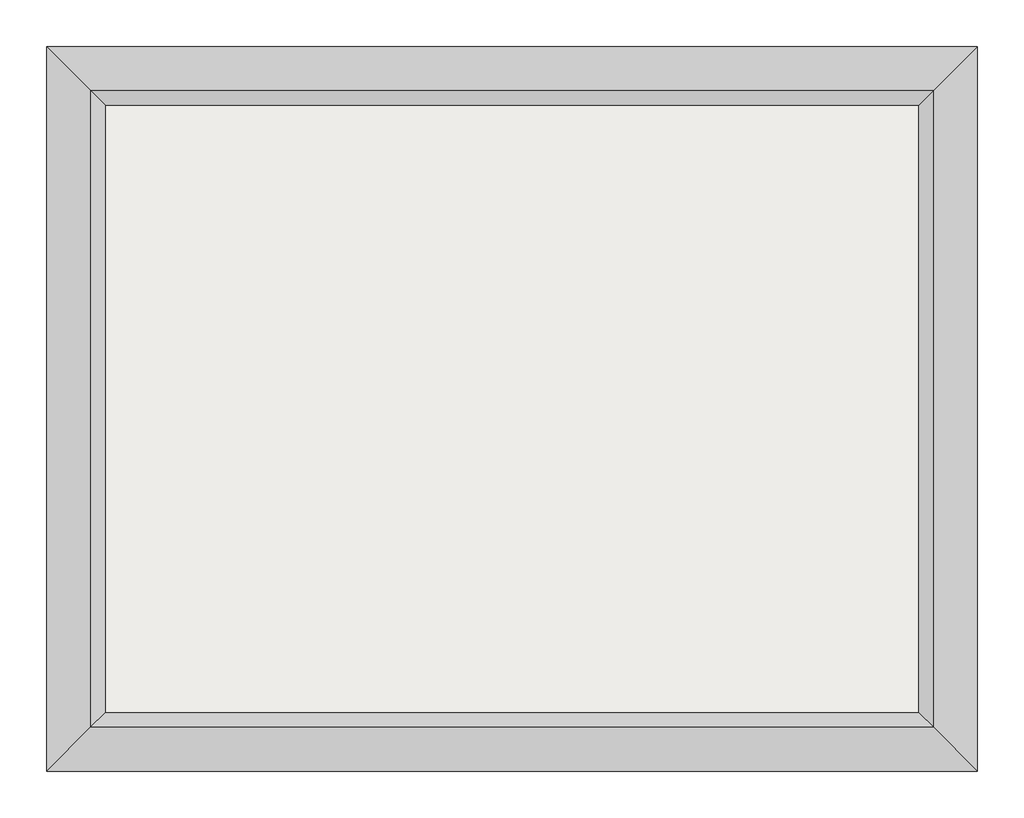
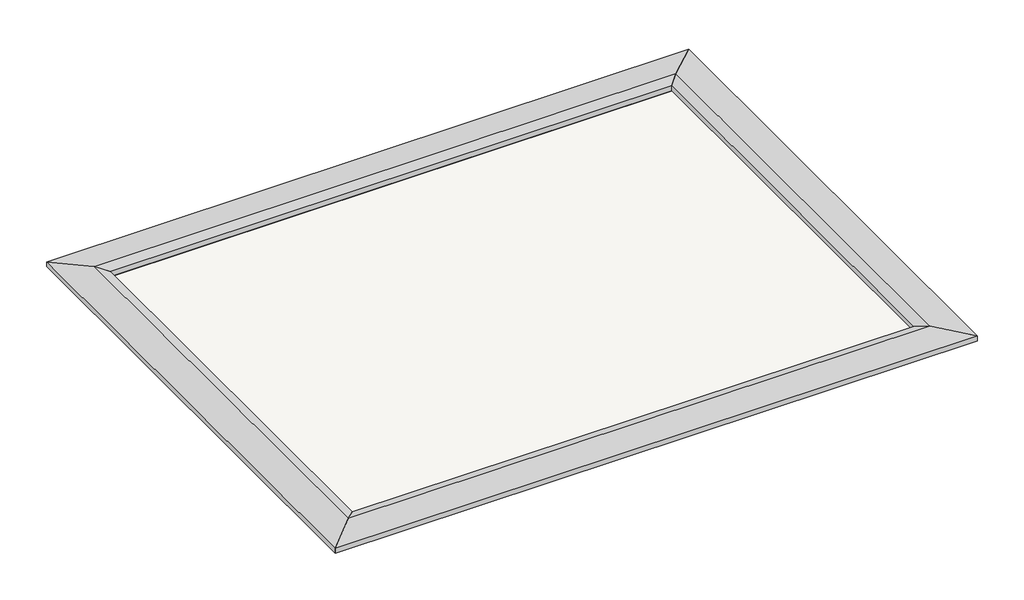
# One storey: 4 proxies, 1 roof.
"""IFC4 building model written with IfcOpenShell, lengths in millimetres."""

from ifc_helpers import new_model, si_unit, frame, origin, place, context, project, spatial, polyline, outline, extrude, faceted_brep, element, save

model = new_model("IFC4")

# Units and contexts
model_context = context("Model", 3, world=origin())
ifc_project = project(units=[si_unit("LENGTHUNIT", "METRE", prefix="MILLI")], contexts=[model_context])

# Site, building, storey
site = spatial("IfcSite", under=ifc_project)
building = spatial("IfcBuilding", under=site)
storey = spatial("IfcBuildingStorey", under=building, Elevation=5600.0)

# Proxies
placement = place(None, origin())
element("IfcBuildingElementProxy", 1, Name="Wall Sweeps", at=placement, inside=storey, context=model_context, shape_type="Brep", body=[
    faceted_brep([(-12231.2558601, 4010.3253756, 5661.9), (-11857.8558601, 3636.9253756, 5700.0), (-11731.2558601, 3510.3253756, 5661.9), (-11731.2558601, 3510.3253756, 5600.0), (-12231.2558601, 4010.3253756, 5600.0), (-12231.2558601, -2181.6746244, 5661.9), (-12231.2558601, -2181.6746244, 5600.0), (-11731.2558601, -1681.6746244, 5600.0), (-11731.2558601, -1681.6746244, 5661.9), (-11857.8558601, -1808.2746244, 5700.0)], [[[0, 1, 2, 3, 4]], [[5, 6, 7, 8, 9]], [[1, 0, 5, 9]], [[2, 1, 9, 8]], [[3, 2, 8, 7]], [[4, 3, 7, 6]], [[0, 4, 6, 5]]]),
])
element("IfcBuildingElementProxy", 2, Name="Wall Sweeps", at=placement, inside=storey, context=model_context, shape_type="Brep", body=[
    faceted_brep([(-12231.2558601, -2181.6746244, 5661.9), (-11857.8558601, -1808.2746244, 5700.0), (-11731.2558601, -1681.6746244, 5661.9), (-11731.2558601, -1681.6746244, 5600.0), (-12231.2558601, -2181.6746244, 5600.0), (-4281.2558601, -2181.6746244, 5661.9), (-4281.2558601, -2181.6746244, 5600.0), (-4781.2558601, -1681.6746244, 5600.0), (-4781.2558601, -1681.6746244, 5661.9), (-4654.6558601, -1808.2746244, 5700.0)], [[[0, 1, 2, 3, 4]], [[5, 6, 7, 8, 9]], [[1, 0, 5, 9]], [[2, 1, 9, 8]], [[3, 2, 8, 7]], [[4, 3, 7, 6]], [[0, 4, 6, 5]]]),
])
element("IfcBuildingElementProxy", 3, Name="Wall Sweeps", at=placement, inside=storey, context=model_context, shape_type="Brep", body=[
    faceted_brep([(-4281.2558601, -2181.6746244, 5661.9), (-4654.6558601, -1808.2746244, 5700.0), (-4781.2558601, -1681.6746244, 5661.9), (-4781.2558601, -1681.6746244, 5600.0), (-4281.2558601, -2181.6746244, 5600.0), (-4281.2558601, 4010.3253756, 5661.9), (-4281.2558601, 4010.3253756, 5600.0), (-4781.2558601, 3510.3253756, 5600.0), (-4781.2558601, 3510.3253756, 5661.9), (-4654.6558601, 3636.9253756, 5700.0)], [[[0, 1, 2, 3, 4]], [[5, 6, 7, 8, 9]], [[1, 0, 5, 9]], [[2, 1, 9, 8]], [[3, 2, 8, 7]], [[4, 3, 7, 6]], [[0, 4, 6, 5]]]),
])
element("IfcBuildingElementProxy", 4, Name="Wall Sweeps", at=placement, inside=storey, context=model_context, shape_type="Brep", body=[
    faceted_brep([(-4281.2558601, 4010.3253756, 5661.9), (-4654.6558601, 3636.9253756, 5700.0), (-4781.2558601, 3510.3253756, 5661.9), (-4781.2558601, 3510.3253756, 5600.0), (-4281.2558601, 4010.3253756, 5600.0), (-12231.2558601, 4010.3253756, 5661.9), (-12231.2558601, 4010.3253756, 5600.0), (-11731.2558601, 3510.3253756, 5600.0), (-11731.2558601, 3510.3253756, 5661.9), (-11857.8558601, 3636.9253756, 5700.0)], [[[0, 1, 2, 3, 4]], [[5, 6, 7, 8, 9]], [[1, 0, 5, 9]], [[2, 1, 9, 8]], [[3, 2, 8, 7]], [[4, 3, 7, 6]], [[0, 4, 6, 5]]]),
])

# Roof
element("IfcRoof", 5, at=placement, inside=storey, context=model_context, shape_type="SweptSolid", body=[
    extrude(outline(polyline([(-11768.2558601, 3535.3253756), (-4744.2558601, 3535.3253756), (-4744.2558601, -1706.6746244), (-11768.2558601, -1706.6746244), (-11768.2558601, 3535.3253756)])), frame((0.0, 0.0, 5300.0), z_axis=(0.0, 0.0, 1.0), x_axis=(1.0, 0.0, 0.0)), (0.0, 0.0, 1.0), 273.0),
])

save(model, "model.ifc")
